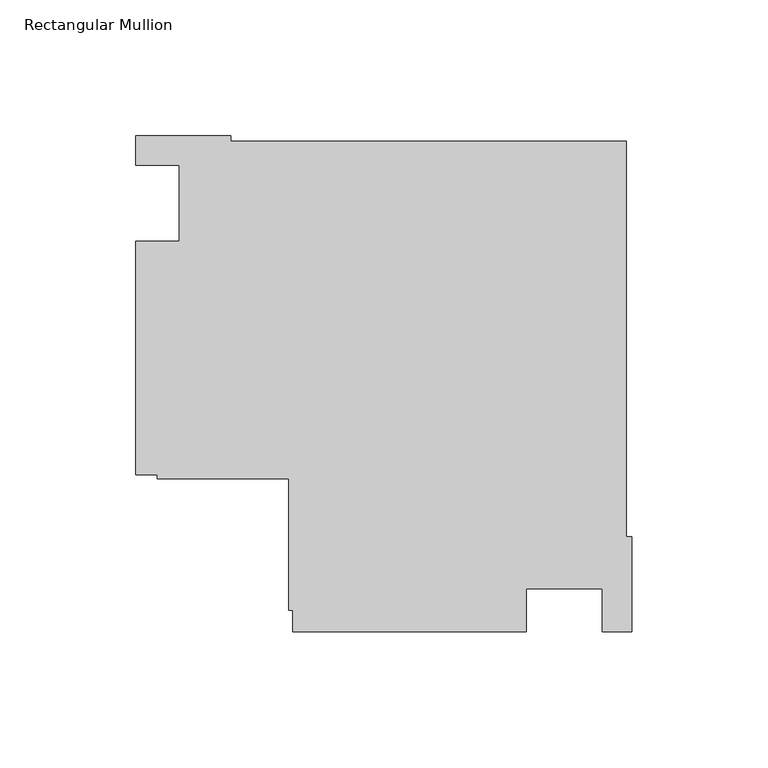
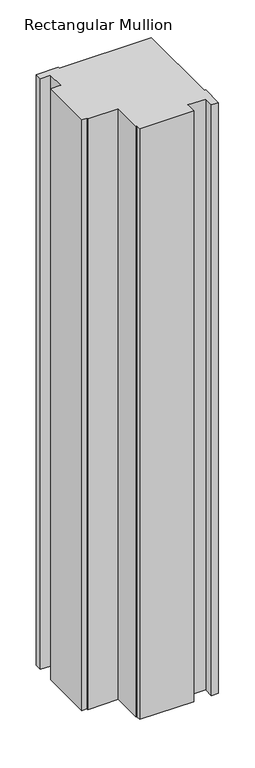
"""IFC4 building model written with IfcOpenShell, lengths in millimetres: member geometry, Rectangular Mullion."""

from ifc_helpers import new_model, si_unit, frame, origin, place, context, project, spatial, polyline, outline, extrude, source, transform, mapped, element, save


def rectangular_mullion_d3a0c25a(model_context):
    return source(origin(), model_context, "Body", "SweptSolid", [
        extrude(outline(polyline([(-182.9999976, -14.0008907), (-166.9999976, -14.0008907), (-166.9999976, 14.0027335), (-183.0085199, 14.0027335), (-183.0085199, 24.9989975), (-147.9999713, 24.9989975), (-147.9999713, 22.9137834), (-2.0852141, 22.9137834), (-2.0852141, -122.9999738), (0.0, -122.9999738), (0.0, -158.0000001), (-10.9999975, -158.0000001), (-10.9999975, -142.0010001), (-38.9998882, -142.0010001), (-38.9998882, -158.0000001), (-125.0, -158.0000001), (-125.0, -150.0000025), (-126.6, -150.0000025), (-126.6, -101.6000025), (-175.0, -101.6000025), (-175.0, -100.0010025), (-182.9999976, -100.0010025), (-182.9999976, -14.0008907)])), frame((0.0, 0.0, -990.6595328), z_axis=(0.0, 0.0, 1.0), x_axis=(1.0, 0.0, 0.0)), (0.0, 0.0, 1.0), 990.6595328),
    ])


if __name__ == "__main__":
    model = new_model("IFC4")
    model_context = context("Model", 3, world=origin())
    ifc_project = project(units=[si_unit("LENGTHUNIT", "METRE", prefix="MILLI")], contexts=[model_context])
    site = spatial("IfcSite", under=ifc_project)
    building = spatial("IfcBuilding", under=site)
    placement = place(None, origin())
    rectangular_mullion_shape = rectangular_mullion_d3a0c25a(model_context)
    element("IfcMember", 1, ObjectType="Rectangular Mullion", at=placement, inside=building, context=model_context, shape_type="MappedRepresentation", body=[
        mapped(rectangular_mullion_shape, transform((0.0, 0.0, 0.0), x_axis=(1.0, 0.0, 0.0), y_axis=(0.0, 1.0, 0.0), z_axis=(0.0, 0.0, 1.0))),
    ])
    save(model, "model.ifc")
